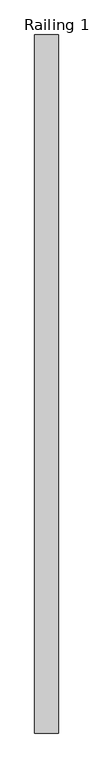
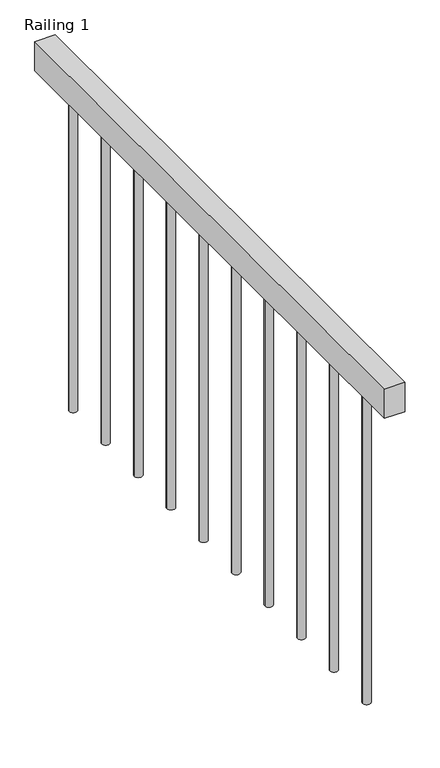
"""IFC4 building model written with IfcOpenShell, lengths in millimetres: railing geometry, Railing 1."""

from ifc_helpers import new_model, si_unit, point, frame, frame_2d, origin, origin_with_axes, place, context, project, spatial, polyline, circle_curve, trimmed, segment, composite_curve, outline, extrude, source, transform, mapped, element, save


def railing_1_3b926a83(model_context):
    return source(origin(), model_context, "Body", "SweptSolid", [
        extrude(outline(polyline([(-970.2190995, 6528.1591595), (-919.4190995, 6528.1591595), (-919.4190995, 5028.1591595), (-970.2190995, 5028.1591595), (-970.2190995, 6528.1591595)])), frame((0.0, 0.0, 823.8), z_axis=(0.0, 0.0, 1.0), x_axis=(1.0, 0.0, 0.0)), (0.0, 0.0, 1.0), 76.2),
        extrude(outline(composite_curve([segment(trimmed(circle_curve(frame_2d((-944.8190995, 5148.1591595)), 10.0), [point((-934.8190995, 5148.1591595))], [point((-954.8190995, 5148.1591595))], False, "CARTESIAN"), True, "CONTINUOUS"), segment(trimmed(circle_curve(frame_2d((-944.8190995, 5148.1591595)), 10.0), [point((-954.8190995, 5148.1591595))], [point((-934.8190995, 5148.1591595))], False, "CARTESIAN"), True, "CONTINUOUS")], self_intersect=False)), origin_with_axes(), (0.0, 0.0, 1.0), 823.8),
        extrude(outline(composite_curve([segment(trimmed(circle_curve(frame_2d((-944.8190995, 5288.1591595)), 10.0), [point((-934.8190995, 5288.1591595))], [point((-954.8190995, 5288.1591595))], False, "CARTESIAN"), True, "CONTINUOUS"), segment(trimmed(circle_curve(frame_2d((-944.8190995, 5288.1591595)), 10.0), [point((-954.8190995, 5288.1591595))], [point((-934.8190995, 5288.1591595))], False, "CARTESIAN"), True, "CONTINUOUS")], self_intersect=False)), origin_with_axes(), (0.0, 0.0, 1.0), 823.8),
        extrude(outline(composite_curve([segment(trimmed(circle_curve(frame_2d((-944.8190995, 5428.1591595)), 10.0), [point((-934.8190995, 5428.1591595))], [point((-954.8190995, 5428.1591595))], False, "CARTESIAN"), True, "CONTINUOUS"), segment(trimmed(circle_curve(frame_2d((-944.8190995, 5428.1591595)), 10.0), [point((-954.8190995, 5428.1591595))], [point((-934.8190995, 5428.1591595))], False, "CARTESIAN"), True, "CONTINUOUS")], self_intersect=False)), origin_with_axes(), (0.0, 0.0, 1.0), 823.8),
        extrude(outline(composite_curve([segment(trimmed(circle_curve(frame_2d((-944.8190995, 5568.1591595)), 10.0), [point((-934.8190995, 5568.1591595))], [point((-954.8190995, 5568.1591595))], False, "CARTESIAN"), True, "CONTINUOUS"), segment(trimmed(circle_curve(frame_2d((-944.8190995, 5568.1591595)), 10.0), [point((-954.8190995, 5568.1591595))], [point((-934.8190995, 5568.1591595))], False, "CARTESIAN"), True, "CONTINUOUS")], self_intersect=False)), origin_with_axes(), (0.0, 0.0, 1.0), 823.8),
        extrude(outline(composite_curve([segment(trimmed(circle_curve(frame_2d((-944.8190995, 5708.1591595)), 10.0), [point((-934.8190995, 5708.1591595))], [point((-954.8190995, 5708.1591595))], False, "CARTESIAN"), True, "CONTINUOUS"), segment(trimmed(circle_curve(frame_2d((-944.8190995, 5708.1591595)), 10.0), [point((-954.8190995, 5708.1591595))], [point((-934.8190995, 5708.1591595))], False, "CARTESIAN"), True, "CONTINUOUS")], self_intersect=False)), origin_with_axes(), (0.0, 0.0, 1.0), 823.8),
        extrude(outline(composite_curve([segment(trimmed(circle_curve(frame_2d((-944.8190995, 5848.1591595)), 10.0), [point((-934.8190995, 5848.1591595))], [point((-954.8190995, 5848.1591595))], False, "CARTESIAN"), True, "CONTINUOUS"), segment(trimmed(circle_curve(frame_2d((-944.8190995, 5848.1591595)), 10.0), [point((-954.8190995, 5848.1591595))], [point((-934.8190995, 5848.1591595))], False, "CARTESIAN"), True, "CONTINUOUS")], self_intersect=False)), origin_with_axes(), (0.0, 0.0, 1.0), 823.8),
        extrude(outline(composite_curve([segment(trimmed(circle_curve(frame_2d((-944.8190995, 5988.1591595)), 10.0), [point((-934.8190995, 5988.1591595))], [point((-954.8190995, 5988.1591595))], False, "CARTESIAN"), True, "CONTINUOUS"), segment(trimmed(circle_curve(frame_2d((-944.8190995, 5988.1591595)), 10.0), [point((-954.8190995, 5988.1591595))], [point((-934.8190995, 5988.1591595))], False, "CARTESIAN"), True, "CONTINUOUS")], self_intersect=False)), origin_with_axes(), (0.0, 0.0, 1.0), 823.8),
        extrude(outline(composite_curve([segment(trimmed(circle_curve(frame_2d((-944.8190995, 6128.1591595)), 10.0), [point((-934.8190995, 6128.1591595))], [point((-954.8190995, 6128.1591595))], False, "CARTESIAN"), True, "CONTINUOUS"), segment(trimmed(circle_curve(frame_2d((-944.8190995, 6128.1591595)), 10.0), [point((-954.8190995, 6128.1591595))], [point((-934.8190995, 6128.1591595))], False, "CARTESIAN"), True, "CONTINUOUS")], self_intersect=False)), origin_with_axes(), (0.0, 0.0, 1.0), 823.8),
        extrude(outline(composite_curve([segment(trimmed(circle_curve(frame_2d((-944.8190995, 6268.1591595)), 10.0), [point((-934.8190995, 6268.1591595))], [point((-954.8190995, 6268.1591595))], False, "CARTESIAN"), True, "CONTINUOUS"), segment(trimmed(circle_curve(frame_2d((-944.8190995, 6268.1591595)), 10.0), [point((-954.8190995, 6268.1591595))], [point((-934.8190995, 6268.1591595))], False, "CARTESIAN"), True, "CONTINUOUS")], self_intersect=False)), origin_with_axes(), (0.0, 0.0, 1.0), 823.8),
        extrude(outline(composite_curve([segment(trimmed(circle_curve(frame_2d((-944.8190995, 6408.1591595)), 10.0), [point((-934.8190995, 6408.1591595))], [point((-954.8190995, 6408.1591595))], False, "CARTESIAN"), True, "CONTINUOUS"), segment(trimmed(circle_curve(frame_2d((-944.8190995, 6408.1591595)), 10.0), [point((-954.8190995, 6408.1591595))], [point((-934.8190995, 6408.1591595))], False, "CARTESIAN"), True, "CONTINUOUS")], self_intersect=False)), origin_with_axes(), (0.0, 0.0, 1.0), 823.8),
    ])


if __name__ == "__main__":
    model = new_model("IFC4")
    model_context = context("Model", 3, world=origin())
    ifc_project = project(units=[si_unit("LENGTHUNIT", "METRE", prefix="MILLI")], contexts=[model_context])
    site = spatial("IfcSite", under=ifc_project)
    building = spatial("IfcBuilding", under=site)
    placement = place(None, origin())
    railing_1_shape = railing_1_3b926a83(model_context)
    element("IfcRailing", 1, ObjectType="Railing 1", at=placement, inside=building, context=model_context, shape_type="MappedRepresentation", body=[
        mapped(railing_1_shape, transform((0.0, 0.0, 0.0), x_axis=(1.0, 0.0, 0.0), y_axis=(0.0, 1.0, 0.0), z_axis=(0.0, 0.0, 1.0))),
    ])
    save(model, "model.ifc")
